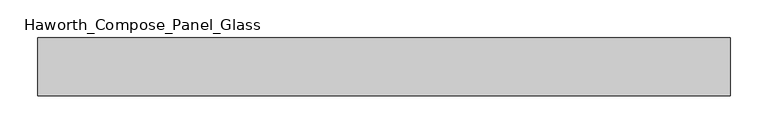
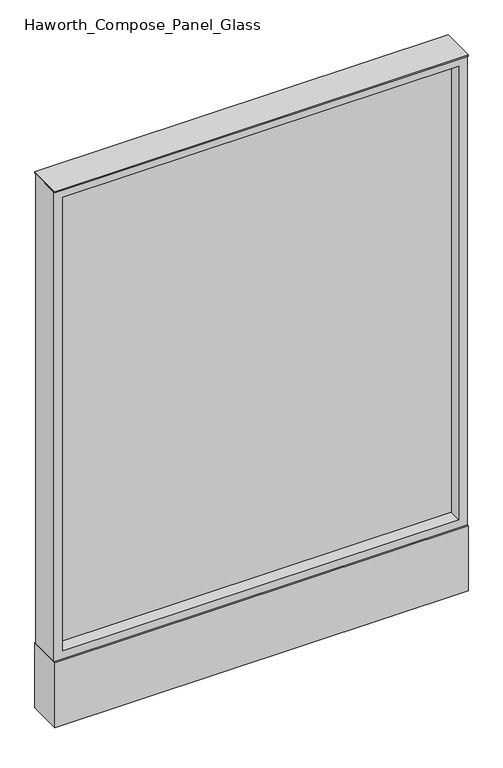
"""IFC4 building model written with IfcOpenShell, lengths in millimetres: furniture geometry, Haworth_Compose_Panel_Glass."""

import ifcopenshell
import ifcopenshell.guid

model = None  # the IFC model being written
_history = None  # IfcOwnerHistory: only IFC2X3 demands one
_inside = {}  # id of a spatial element -> (the spatial element, [elements in it])
_under = {}  # id of a project, library or spatial element -> (it, [spatial elements below it])
_declared = {}  # id of a project -> (the project, [libraries it declares])
_typed = {}  # id of a type object -> (the type object, [elements of that type])
_made_of = {}  # id of a material, layer set ... -> (it, [elements and type objects made of it])


def new_model(schema):
    """Start an empty IFC model of exactly this schema.

    Asked for "IFC4X3", IfcOpenShell would pick the latest addendum, in which some entities
    have other attributes; the version numbers below select the first issue.
    IFC2X3 requires an IfcOwnerHistory on every rooted entity: one is made here for all.
    """
    global model, _history
    if schema == "IFC4X3":
        model = ifcopenshell.file(schema_version=(4, 3, 0, 0))
    else:
        model = ifcopenshell.file(schema=schema)
    _inside.clear()
    _under.clear()
    _declared.clear()
    _typed.clear()
    _made_of.clear()
    _history = None
    if model.schema == "IFC2X3":
        org = make("IfcOrganization", Name="unknown")
        user = make(
            "IfcPersonAndOrganization",
            ThePerson=make("IfcPerson", FamilyName="unknown"),
            TheOrganization=org,
        )
        app = make(
            "IfcApplication",
            ApplicationDeveloper=org,
            Version="unknown",
            ApplicationFullName="unknown",
            ApplicationIdentifier="unknown",
        )
        _history = make(
            "IfcOwnerHistory",
            OwningUser=user,
            OwningApplication=app,
            ChangeAction="ADDED",
            CreationDate=0,
        )
    return model


def make(cls, **values):
    """One entity of the class cls with the attributes given. An attribute that is None is left unset."""
    return model.create_entity(
        cls, **{name: value for name, value in values.items() if value is not None}
    )


def rooted(cls, **values):
    """An entity with a GlobalId (a new one), such as an element, a storey or a relation."""
    return make(cls, GlobalId=ifcopenshell.guid.new(), OwnerHistory=_history, **values)


def si_unit(unit_type, name, prefix=None):
    """IfcSIUnit, for example si_unit("LENGTHUNIT", "METRE", prefix="MILLI")."""
    return make("IfcSIUnit", UnitType=unit_type, Prefix=prefix, Name=name)


def assignment(units):
    """IfcUnitAssignment: the units of a project."""
    return None if units is None else make("IfcUnitAssignment", Units=units)


def point(xyz):
    """IfcCartesianPoint."""
    return None if xyz is None else make("IfcCartesianPoint", Coordinates=xyz)


def direction(xyz):
    """IfcDirection."""
    return None if xyz is None else make("IfcDirection", DirectionRatios=xyz)


def frame(location, z_axis=None, x_axis=None):
    """IfcAxis2Placement3D, a coordinate frame: its origin and axes. An axis left out is left unset."""
    return make(
        "IfcAxis2Placement3D",
        Location=point(location),
        Axis=direction(z_axis),
        RefDirection=direction(x_axis),
    )


def frame_2d(location, x_axis=None):
    """IfcAxis2Placement2D, a coordinate frame in the plane: its origin and x axis."""
    return make(
        "IfcAxis2Placement2D", Location=point(location), RefDirection=direction(x_axis)
    )


def origin():
    """The frame at (0, 0, 0) with its axes left unset."""
    return frame((0.0, 0.0, 0.0))


def origin_with_axes():
    """The frame at (0, 0, 0) with the z axis (0, 0, 1) and the x axis (1, 0, 0) written out."""
    return frame((0.0, 0.0, 0.0), z_axis=(0.0, 0.0, 1.0), x_axis=(1.0, 0.0, 0.0))


def place(relative_to, where):
    """IfcLocalPlacement: puts the frame where relative to a parent placement (None: the world)."""
    return make(
        "IfcLocalPlacement", PlacementRelTo=relative_to, RelativePlacement=where
    )


def context(
    kind, dimensions, precision=None, world=None, true_north=None, identifier=None
):
    """IfcGeometricRepresentationContext, for example the 3D "Model" context."""
    return make(
        "IfcGeometricRepresentationContext",
        ContextIdentifier=identifier,
        ContextType=kind,
        CoordinateSpaceDimension=dimensions,
        Precision=precision,
        WorldCoordinateSystem=world,
        TrueNorth=true_north,
    )


def project(units=None, contexts=None):
    """IfcProject with its units and contexts."""
    return rooted(
        "IfcProject",
        Name="project",
        RepresentationContexts=contexts,
        UnitsInContext=assignment(units),
    )


def spatial(cls, under=None, at=None, **own):
    """A site, building, storey or space (cls), placed at a placement, below another one or the project."""
    s = rooted(cls, ObjectPlacement=at, **own)
    if under is not None:
        _under.setdefault(under.id(), (under, []))[1].append(s)
    return s


def polyline(points):
    """IfcPolyline through the points."""
    return make("IfcPolyline", Points=[point(p) for p in points])


def circle_curve(where, radius):
    """IfcCircle in the frame where."""
    return make("IfcCircle", Position=where, Radius=radius)


def trimmed(basis, trim1, trim2, sense, master):
    """IfcTrimmedCurve: the piece of a basis curve between two trims."""
    return make(
        "IfcTrimmedCurve",
        BasisCurve=basis,
        Trim1=trim1,
        Trim2=trim2,
        SenseAgreement=sense,
        MasterRepresentation=master,
    )


def segment(curve, same_sense, transition):
    """IfcCompositeCurveSegment."""
    return make(
        "IfcCompositeCurveSegment",
        Transition=transition,
        SameSense=same_sense,
        ParentCurve=curve,
    )


def composite_curve(segments, self_intersect=None):
    """IfcCompositeCurve: segments joined end to end."""
    return make("IfcCompositeCurve", Segments=segments, SelfIntersect=self_intersect)


def outline(outer, holes=None, kind="AREA"):
    """IfcArbitraryClosedProfileDef: a profile drawn as a closed curve; with holes, ...WithVoids."""
    if holes is None:
        return make("IfcArbitraryClosedProfileDef", ProfileType=kind, OuterCurve=outer)
    return make(
        "IfcArbitraryProfileDefWithVoids",
        ProfileType=kind,
        OuterCurve=outer,
        InnerCurves=holes,
    )


def extrude(swept, where, along, depth):
    """IfcExtrudedAreaSolid: the profile swept, set in the frame where, extruded along a direction by depth."""
    return make(
        "IfcExtrudedAreaSolid",
        SweptArea=swept,
        Position=where,
        ExtrudedDirection=direction(along),
        Depth=depth,
    )


def shape(context_of_items, identifier, shape_type, items):
    """IfcShapeRepresentation: the items that make up one representation, for example the "Body"."""
    return make(
        "IfcShapeRepresentation",
        ContextOfItems=context_of_items,
        RepresentationIdentifier=identifier,
        RepresentationType=shape_type,
        Items=items,
    )


def source(mapping_origin, context_of_items, identifier, shape_type, items):
    """IfcRepresentationMap: a shape defined once, which mapped items show again and again."""
    return make(
        "IfcRepresentationMap",
        MappingOrigin=mapping_origin,
        MappedRepresentation=shape(context_of_items, identifier, shape_type, items),
    )


def transform(
    local_origin,
    x_axis=None,
    y_axis=None,
    z_axis=None,
    scale=None,
    scale2=None,
    scale3=None,
    uniform=True,
):
    """IfcCartesianTransformationOperator3D, or its non-uniform kind. x_axis, y_axis, z_axis: its Axis1, 2, 3."""
    if uniform:
        return make(
            "IfcCartesianTransformationOperator3D",
            Axis1=direction(x_axis),
            Axis2=direction(y_axis),
            LocalOrigin=point(local_origin),
            Scale=scale,
            Axis3=direction(z_axis),
        )
    return make(
        "IfcCartesianTransformationOperator3DnonUniform",
        Axis1=direction(x_axis),
        Axis2=direction(y_axis),
        LocalOrigin=point(local_origin),
        Scale=scale,
        Axis3=direction(z_axis),
        Scale2=scale2,
        Scale3=scale3,
    )


def mapped(mapping_source, mapping_target):
    """IfcMappedItem: shows the shape of a source again, moved by a transform."""
    return make(
        "IfcMappedItem", MappingSource=mapping_source, MappingTarget=mapping_target
    )


def made_of(thing, what):
    """Note that an element or type object is made of a material, layer set ...; save() writes the relation."""
    if what is not None:
        _made_of.setdefault(what.id(), (what, []))[1].append(thing)
    return thing


def element(
    cls,
    number,
    at=None,
    inside=None,
    cuts=None,
    type_object=None,
    material=None,
    context=None,
    identifier="Body",
    shape_type=None,
    held_by="IfcProductDefinitionShape",
    body=None,
    shapes=None,
    **own,
):
    """One element of the class cls, such as IfcWall. Its Tag is "e" and its number.

    at: its placement. inside: the storey or other place that contains it. cuts: it is an
    opening in that element (IfcRelVoidsElement). A single representation is given by context,
    identifier, shape_type and body (its items); several are given by shapes. held_by: the class
    of the entity that holds the representations. save() writes the other relations.
    """
    e = rooted(cls, Tag="e%d" % number, ObjectPlacement=at, **own)
    if body is not None:
        shapes = [shape(context, identifier, shape_type, body)]
    if shapes is not None:
        e.Representation = make(held_by, Representations=shapes)
    if inside is not None:
        _inside.setdefault(inside.id(), (inside, []))[1].append(e)
    if cuts is not None:
        rooted(
            "IfcRelVoidsElement", RelatingBuildingElement=cuts, RelatedOpeningElement=e
        )
    if type_object is not None:
        _typed.setdefault(type_object.id(), (type_object, []))[1].append(e)
    return made_of(e, material)


def aggregate(whole, parts):
    """IfcRelAggregates: a whole, such as a stair, and the parts it consists of."""
    return rooted("IfcRelAggregates", RelatingObject=whole, RelatedObjects=parts)


def save(model, path):
    """Write the relations noted so far, then the file.

    IfcRelAggregates (storeys below a building ...), IfcRelContainedInSpatialStructure (elements
    in a storey), IfcRelDefinesByType, IfcRelAssociatesMaterial and IfcRelDeclares: one each for
    every whole, place, type object, material and project.
    """
    for whole, parts in _under.values():
        aggregate(whole, parts)
    for where, things in _inside.values():
        rooted(
            "IfcRelContainedInSpatialStructure",
            RelatedElements=things,
            RelatingStructure=where,
        )
    for kind, things in _typed.values():
        rooted("IfcRelDefinesByType", RelatedObjects=things, RelatingType=kind)
    for what, things in _made_of.values():
        rooted("IfcRelAssociatesMaterial", RelatedObjects=things, RelatingMaterial=what)
    for by, libraries in _declared.values():
        rooted("IfcRelDeclares", RelatingContext=by, RelatedDefinitions=libraries)
    model.write(path)


def haworth_compose_panel_glass_cc96134c(model_context):
    return source(origin(), model_context, "Body", "SweptSolid", [
        extrude(outline(composite_curve([segment(trimmed(circle_curve(frame_2d((383.4402902, 0.0)), 12.7), [point((370.7402902, 0.0))], [point((396.1402902, 0.0))], False, "CARTESIAN"), True, "CONTINUOUS"), segment(trimmed(circle_curve(frame_2d((383.4402902, 0.0)), 12.7), [point((396.1402902, 0.0))], [point((370.7402902, 0.0))], False, "CARTESIAN"), True, "CONTINUOUS")], self_intersect=False)), origin_with_axes(), (0.0, 0.0, 1.0), 12.7),
        extrude(outline(composite_curve([segment(trimmed(circle_curve(frame_2d((-378.5597098, 0.0)), 12.7), [point((-391.2597098, 0.0))], [point((-365.8597098, 0.0))], False, "CARTESIAN"), True, "CONTINUOUS"), segment(trimmed(circle_curve(frame_2d((-378.5597098, 0.0)), 12.7), [point((-365.8597098, 0.0))], [point((-391.2597098, 0.0))], False, "CARTESIAN"), True, "CONTINUOUS")], self_intersect=False)), origin_with_axes(), (0.0, 0.0, 1.0), 12.7),
        extrude(outline(polyline([(440.5902902, -6.35), (-435.7097098, -6.35), (-435.7097098, 6.35), (440.5902902, 6.35), (440.5902902, -6.35)])), frame((0.0, 0.0, 184.15), z_axis=(0.0, 0.0, 1.0), x_axis=(1.0, 0.0, 0.0)), (0.0, 0.0, 1.0), 1060.45),
        extrude(outline(polyline([(1263.65, -454.7597098), (165.1, -454.7597098), (165.1, 459.6402902), (1263.65, 459.6402902), (1263.65, -454.7597098)]), holes=[polyline([(1244.6, 440.5902902), (184.15, 440.5902902), (184.15, -435.7097098), (1244.6, -435.7097098), (1244.6, 440.5902902)])]), frame((0.0, -34.925, 0.0), z_axis=(0.0, 1.0, 0.0), x_axis=(0.0, 0.0, 1.0)), (0.0, 0.0, 1.0), 69.85),
        extrude(outline(polyline([(-454.7597098, 38.1), (459.6402902, 38.1), (459.6402902, -38.1), (-454.7597098, -38.1), (-454.7597098, 38.1)])), frame((0.0, 0.0, 12.7), z_axis=(0.0, 0.0, 1.0), x_axis=(1.0, 0.0, 0.0)), (0.0, 0.0, 1.0), 152.4),
        extrude(outline(polyline([(-454.7597098, -38.1), (-454.7597098, 38.1), (459.6402902, 38.1), (459.6402902, -38.1), (-454.7597098, -38.1)])), frame((0.0, 0.0, 1263.65), z_axis=(0.0, 0.0, 1.0), x_axis=(1.0, 0.0, 0.0)), (0.0, 0.0, 1.0), 3.175),
    ])


if __name__ == "__main__":
    model = new_model("IFC4")
    model_context = context("Model", 3, world=origin())
    ifc_project = project(units=[si_unit("LENGTHUNIT", "METRE", prefix="MILLI")], contexts=[model_context])
    site = spatial("IfcSite", under=ifc_project)
    building = spatial("IfcBuilding", under=site)
    placement = place(None, origin())
    haworth_compose_panel_glass_shape = haworth_compose_panel_glass_cc96134c(model_context)
    element("IfcFurniture", 1, ObjectType="Haworth_Compose_Panel_Glass", at=placement, inside=building, context=model_context, shape_type="MappedRepresentation", body=[
        mapped(haworth_compose_panel_glass_shape, transform((0.0, 0.0, 0.0), x_axis=(1.0, 0.0, 0.0), y_axis=(0.0, 1.0, 0.0), z_axis=(0.0, 0.0, 1.0))),
    ])
    save(model, "model.ifc")
